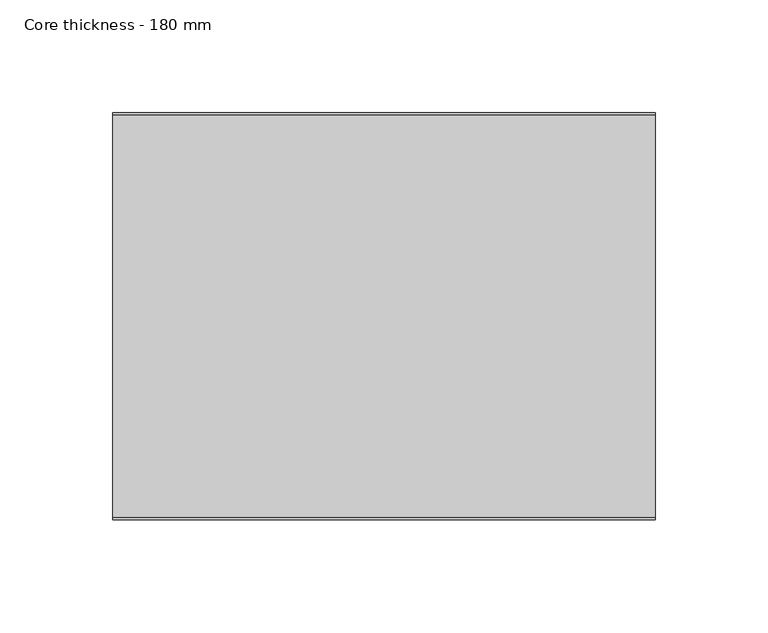
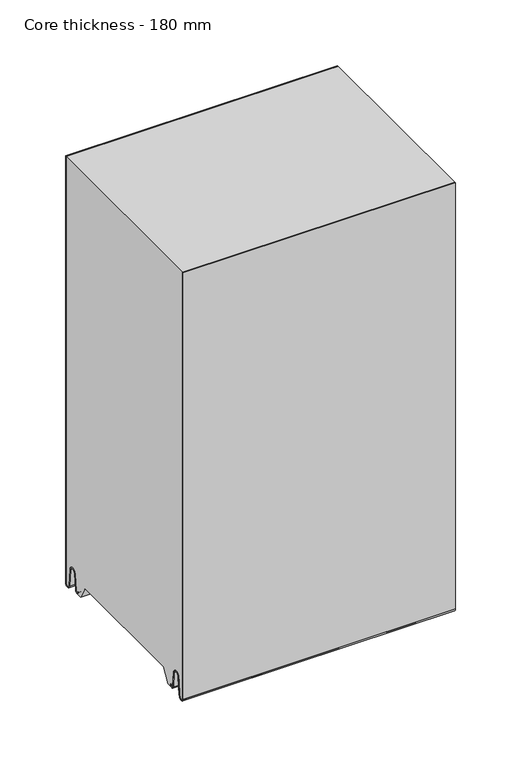
"""IFC4 building model written with IfcOpenShell, lengths in millimetres: plate geometry, Core thickness - 180 mm."""

from ifc_helpers import new_model, si_unit, frame, origin, place, context, project, spatial, polyline, circle_curve, source, transform, mapped, element, save
from ifc_brep_helpers import plane_surface, cylinder_surface, revolved_surface, advanced_brep


def core_thickness_180_mm_36903bec(model_context):
    return source(origin(), model_context, "Body", "AdvancedBrep", [
        advanced_brep(
        [(119.9999998, -179.9996949, 2.9900682), (119.9999998, -173.81449, 2.6875612), (119.9999998, -172.197116, 19.1828169), (119.9999998, -169.1776715, 21.8898782), (119.9999998, -166.1582271, 19.1828169), (119.9999998, -164.7725998, 5.0510966), (119.9999998, -160.3830995, 5.265779), (119.9999998, -161.1830995, 5.265779), (119.9999998, -163.9764178, 5.1291629), (119.9999998, -165.3620451, 19.2608832), (119.9999998, -169.1776715, 22.6899182), (119.9999998, -172.9932979, 19.2608832), (119.9999998, -174.6106719, 2.7656275), (119.9999998, -179.1996949, 2.9900682), (119.9999998, -179.2, 400.0), (119.9999998, -179.9996949, 400.0), (-119.9999998, -179.1996949, 2.9900682), (-119.9999998, -174.6106719, 2.7656275), (-119.9999998, -172.9932979, 19.2608832), (-119.9999998, -169.1776715, 22.6899182), (-119.9999998, -165.3620451, 19.2608832), (-119.9999998, -163.9764178, 5.1291629), (-119.9999998, -161.1830995, 5.265779), (-119.9999998, -160.3830995, 5.265779), (-119.9999998, -164.7725998, 5.0510966), (-119.9999998, -166.1582271, 19.1828169), (-119.9999998, -169.1776715, 21.8898782), (-119.9999998, -172.197116, 19.1828169), (-119.9999998, -173.81449, 2.6875612), (-119.9999998, -179.9996949, 2.9900682), (-119.9999998, -179.9996949, 400.0), (-119.9999998, -179.2, 400.0)],
        [
            (0, 1, circle_curve(frame((119.9999998, -176.8996949, 2.9900682), z_axis=(1.0, 0.0, 0.0), x_axis=(0.0, 0.0, -1.0)), 3.1)),
            (1, 2),
            (2, 3, circle_curve(frame((119.9999998, -169.2114338, 18.8900682), z_axis=(-1.0, 0.0, 0.0), x_axis=(0.0, 0.0, -1.0)), 3.0)),
            (3, 4, circle_curve(frame((119.9999998, -169.1439093, 18.8900682), z_axis=(-1.0, 0.0, 0.0), x_axis=(0.0, 0.0, -1.0)), 3.0)),
            (4, 5),
            (5, 6, circle_curve(frame((119.9999998, -162.5830995, 5.265779), z_axis=(1.0, 0.0, 0.0), x_axis=(0.0, 0.0, -1.0)), 2.2)),
            (6, 7),
            (7, 8, circle_curve(frame((119.9999998, -162.5830995, 5.265779), z_axis=(-1.0, 0.0, 0.0), x_axis=(0.0, 0.0, -1.0)), 1.4)),
            (8, 9),
            (9, 10, circle_curve(frame((119.9999998, -169.1439093, 18.8900682), z_axis=(1.0, 0.0, 0.0), x_axis=(0.0, 0.0, -1.0)), 3.8)),
            (10, 11, circle_curve(frame((119.9999998, -169.2114338, 18.8900682), z_axis=(1.0, 0.0, 0.0), x_axis=(0.0, 0.0, -1.0)), 3.8)),
            (11, 12),
            (12, 13, circle_curve(frame((119.9999998, -176.8996949, 2.9900682), z_axis=(-1.0, 0.0, 0.0), x_axis=(0.0, 0.0, -1.0)), 2.3)),
            (13, 14),
            (14, 15),
            (15, 0),
            (16, 17, circle_curve(frame((-119.9999998, -176.8996949, 2.9900682), z_axis=(1.0, 0.0, 0.0), x_axis=(0.0, 0.0, -1.0)), 2.3)),
            (17, 18),
            (18, 19, circle_curve(frame((-119.9999998, -169.2114338, 18.8900682), z_axis=(-1.0, 0.0, 0.0), x_axis=(0.0, 0.0, -1.0)), 3.8)),
            (19, 20, circle_curve(frame((-119.9999998, -169.1439093, 18.8900682), z_axis=(-1.0, 0.0, 0.0), x_axis=(0.0, 0.0, -1.0)), 3.8)),
            (20, 21),
            (21, 22, circle_curve(frame((-119.9999998, -162.5830995, 5.265779), z_axis=(1.0, 0.0, 0.0), x_axis=(0.0, 0.0, -1.0)), 1.4)),
            (22, 23),
            (23, 24, circle_curve(frame((-119.9999998, -162.5830995, 5.265779), z_axis=(-1.0, 0.0, 0.0), x_axis=(0.0, 0.0, -1.0)), 2.2)),
            (24, 25),
            (25, 26, circle_curve(frame((-119.9999998, -169.1439093, 18.8900682), z_axis=(1.0, 0.0, 0.0), x_axis=(0.0, 0.0, -1.0)), 3.0)),
            (26, 27, circle_curve(frame((-119.9999998, -169.2114338, 18.8900682), z_axis=(1.0, 0.0, 0.0), x_axis=(0.0, 0.0, -1.0)), 3.0)),
            (27, 28),
            (28, 29, circle_curve(frame((-119.9999998, -176.8996949, 2.9900682), z_axis=(-1.0, 0.0, 0.0), x_axis=(0.0, 0.0, -1.0)), 3.1)),
            (29, 30),
            (30, 31),
            (31, 16),
            (13, 16),
            (31, 14),
            (29, 0),
            (15, 30),
            (12, 17),
            (11, 18),
            (10, 19),
            (9, 20),
            (8, 21),
            (7, 22),
            (6, 23),
            (5, 24),
            (4, 25),
            (3, 26),
            (2, 27),
            (1, 28),
        ],
        [
            plane_surface(frame((119.9999998, -180.0, 0.0), z_axis=(1.0, 0.0, 0.0), x_axis=(0.0, 1.0, 0.0))),
            plane_surface(frame((-119.9999998, -180.0, 0.0), z_axis=(-1.0, 0.0, 0.0), x_axis=(0.0, 1.0, 0.0))),
            plane_surface(frame((119.9999998, -179.2, 2.9900682), z_axis=(0.0, 1.0, 0.0), x_axis=(-1.0, 0.0, 0.0))),
            plane_surface(frame((119.9999998, -179.9996949, 1093.8000005), z_axis=(0.0, -1.0, 0.0), x_axis=(-1.0, 0.0, 0.0))),
            revolved_surface(polyline([(-119.9999998, -176.8996949, 0.6900682000000002), (119.9999998, -176.8996949, 0.6900682000000002)]), (119.9999998, -176.8996949, 2.9900682), (-1.0, 0.0, 0.0)),
            plane_surface(frame((119.9999998, -172.9932979, 19.2608832), z_axis=(0.0, -0.9952273999818314, 0.09758289975914787), x_axis=(-1.0, 0.0, 0.0))),
            cylinder_surface(frame((119.9999998, -169.2114338, 18.8900682), z_axis=(1.0, 0.0, 0.0), x_axis=(0.0, 0.0, -1.0)), 3.8),
            cylinder_surface(frame((119.9999998, -169.1439093, 18.8900682), z_axis=(1.0, 0.0, 0.0), x_axis=(0.0, 0.0, -1.0)), 3.8),
            plane_surface(frame((119.9999998, -163.9764178, 5.1291629), z_axis=(0.0, 0.9952273999818297, 0.09758289975916531), x_axis=(-1.0, 0.0, 0.0))),
            revolved_surface(polyline([(-119.9999998, -162.5830995, 3.8657790000000003), (119.9999998, -162.5830995, 3.8657790000000003)]), (119.9999998, -162.5830995, 5.265779), (-1.0, 0.0, 0.0)),
            plane_surface(frame((119.9999998, -160.3830995, 5.265779), z_axis=(0.0, 0.0, 1.0), x_axis=(-1.0, 0.0, 0.0))),
            cylinder_surface(frame((119.9999998, -162.5830995, 5.265779), z_axis=(1.0, 0.0, 0.0), x_axis=(0.0, 0.0, -1.0)), 2.2),
            plane_surface(frame((119.9999998, -166.1582271, 19.1828169), z_axis=(0.0, -0.9952273999818296, -0.09758289975916527), x_axis=(-1.0, 0.0, 0.0))),
            revolved_surface(polyline([(-119.9999998, -169.1439093, 15.890068200000002), (119.9999998, -169.1439093, 15.890068200000002)]), (119.9999998, -169.1439093, 18.8900682), (-1.0, 0.0, 0.0)),
            revolved_surface(polyline([(-119.9999998, -169.2114338, 15.890068200000002), (119.9999998, -169.2114338, 15.890068200000002)]), (119.9999998, -169.2114338, 18.8900682), (-1.0, 0.0, 0.0)),
            plane_surface(frame((119.9999998, -173.81449, 2.6875612), z_axis=(0.0, 0.9952273999818314, -0.09758289975914787), x_axis=(-1.0, 0.0, 0.0))),
            cylinder_surface(frame((119.9999998, -176.8996949, 2.9900682), z_axis=(1.0, 0.0, 0.0), x_axis=(0.0, 0.0, -1.0)), 3.1),
            plane_surface(frame((-119.9999998, 134.0533409, 400.0), z_axis=(0.0, 0.0, 1.0), x_axis=(1.0, 0.0, 0.0))),
        ],
        [
            (0, [[1, 2, 3, 4, 5, 6, 7, 8, 9, 10, 11, 12, 13, 14, 15, 16]]),
            (1, [[17, 18, 19, 20, 21, 22, 23, 24, 25, 26, 27, 28, 29, 30, 31, 32]]),
            (2, [[33, -32, 34, -14]]),
            (3, [[35, -16, 36, -30]]),
            (4, [[-13, 37, -17, -33]]),
            (5, [[-12, 38, -18, -37]]),
            (6, [[-11, 39, -19, -38]]),
            (7, [[-10, 40, -20, -39]]),
            (8, [[-9, 41, -21, -40]]),
            (9, [[-8, 42, -22, -41]]),
            (10, [[-7, 43, -23, -42]]),
            (11, [[-6, 44, -24, -43]]),
            (12, [[-5, 45, -25, -44]]),
            (13, [[-4, 46, -26, -45]]),
            (14, [[-3, 47, -27, -46]]),
            (15, [[-2, 48, -28, -47]]),
            (16, [[-1, -35, -29, -48]]),
            (17, [[-15, -34, -31, -36]]),
        ],
    ),
        advanced_brep(
        [(119.9999998, -0.8003051, 2.9900682), (119.9999998, -5.3893281, 2.7656275), (119.9999998, -7.0067021, 19.2608832), (119.9999998, -10.8223285, 22.6899182), (119.9999998, -14.6379549, 19.2608832), (119.9999998, -16.0235822, 5.1291629), (119.9999998, -18.8169005, 5.265779), (119.9999998, -19.6169005, 5.265779), (119.9999998, -15.2274002, 5.0510966), (119.9999998, -13.8417729, 19.1828169), (119.9999998, -10.8223285, 21.8898782), (119.9999998, -7.802884, 19.1828169), (119.9999998, -6.18551, 2.6875612), (119.9999998, -0.0003051, 2.9900682), (119.9999998, -0.0003051, 400.0), (119.9999998, -0.8, 400.0), (-119.9999998, -0.0003051, 2.9900682), (-119.9999998, -6.18551, 2.6875612), (-119.9999998, -7.802884, 19.1828169), (-119.9999998, -10.8223285, 21.8898782), (-119.9999998, -13.8417729, 19.1828169), (-119.9999998, -15.2274002, 5.0510966), (-119.9999998, -19.6169005, 5.265779), (-119.9999998, -18.8169005, 5.265779), (-119.9999998, -16.0235822, 5.1291629), (-119.9999998, -14.6379549, 19.2608832), (-119.9999998, -10.8223285, 22.6899182), (-119.9999998, -7.0067021, 19.2608832), (-119.9999998, -5.3893281, 2.7656275), (-119.9999998, -0.8003051, 2.9900682), (-119.9999998, -0.8, 400.0), (-119.9999998, -0.0003051, 400.0)],
        [
            (0, 1, circle_curve(frame((119.9999998, -3.1003051, 2.9900682), z_axis=(-1.0, 0.0, 0.0), x_axis=(0.0, 0.0, -1.0)), 2.3)),
            (1, 2),
            (2, 3, circle_curve(frame((119.9999998, -10.7885662, 18.8900682), z_axis=(1.0, 0.0, 0.0), x_axis=(0.0, 0.0, -1.0)), 3.8)),
            (3, 4, circle_curve(frame((119.9999998, -10.8560907, 18.8900682), z_axis=(1.0, 0.0, 0.0), x_axis=(0.0, 0.0, -1.0)), 3.8)),
            (4, 5),
            (5, 6, circle_curve(frame((119.9999998, -17.4169005, 5.265779), z_axis=(-1.0, 0.0, 0.0), x_axis=(0.0, 0.0, -1.0)), 1.4)),
            (6, 7),
            (7, 8, circle_curve(frame((119.9999998, -17.4169005, 5.265779), z_axis=(1.0, 0.0, 0.0), x_axis=(0.0, 0.0, -1.0)), 2.2)),
            (8, 9),
            (9, 10, circle_curve(frame((119.9999998, -10.8560907, 18.8900682), z_axis=(-1.0, 0.0, 0.0), x_axis=(0.0, 0.0, -1.0)), 3.0)),
            (10, 11, circle_curve(frame((119.9999998, -10.7885662, 18.8900682), z_axis=(-1.0, 0.0, 0.0), x_axis=(0.0, 0.0, -1.0)), 3.0)),
            (11, 12),
            (12, 13, circle_curve(frame((119.9999998, -3.1003051, 2.9900682), z_axis=(1.0, 0.0, 0.0), x_axis=(0.0, 0.0, -1.0)), 3.1)),
            (13, 14),
            (14, 15),
            (15, 0),
            (16, 17, circle_curve(frame((-119.9999998, -3.1003051, 2.9900682), z_axis=(-1.0, 0.0, 0.0), x_axis=(0.0, 0.0, -1.0)), 3.1)),
            (17, 18),
            (18, 19, circle_curve(frame((-119.9999998, -10.7885662, 18.8900682), z_axis=(1.0, 0.0, 0.0), x_axis=(0.0, 0.0, -1.0)), 3.0)),
            (19, 20, circle_curve(frame((-119.9999998, -10.8560907, 18.8900682), z_axis=(1.0, 0.0, 0.0), x_axis=(0.0, 0.0, -1.0)), 3.0)),
            (20, 21),
            (21, 22, circle_curve(frame((-119.9999998, -17.4169005, 5.265779), z_axis=(-1.0, 0.0, 0.0), x_axis=(0.0, 0.0, -1.0)), 2.2)),
            (22, 23),
            (23, 24, circle_curve(frame((-119.9999998, -17.4169005, 5.265779), z_axis=(1.0, 0.0, 0.0), x_axis=(0.0, 0.0, -1.0)), 1.4)),
            (24, 25),
            (25, 26, circle_curve(frame((-119.9999998, -10.8560907, 18.8900682), z_axis=(-1.0, 0.0, 0.0), x_axis=(0.0, 0.0, -1.0)), 3.8)),
            (26, 27, circle_curve(frame((-119.9999998, -10.7885662, 18.8900682), z_axis=(-1.0, 0.0, 0.0), x_axis=(0.0, 0.0, -1.0)), 3.8)),
            (27, 28),
            (28, 29, circle_curve(frame((-119.9999998, -3.1003051, 2.9900682), z_axis=(1.0, 0.0, 0.0), x_axis=(0.0, 0.0, -1.0)), 2.3)),
            (29, 30),
            (30, 31),
            (31, 16),
            (13, 16),
            (31, 14),
            (29, 0),
            (15, 30),
            (12, 17),
            (11, 18),
            (10, 19),
            (9, 20),
            (8, 21),
            (7, 22),
            (6, 23),
            (5, 24),
            (4, 25),
            (3, 26),
            (2, 27),
            (1, 28),
        ],
        [
            plane_surface(frame((119.9999998, 0.0, 0.0), z_axis=(1.0, 0.0, 0.0), x_axis=(0.0, -1.0, 0.0))),
            plane_surface(frame((-119.9999998, 0.0, 0.0), z_axis=(-1.0, 0.0, 0.0), x_axis=(0.0, -1.0, 0.0))),
            plane_surface(frame((119.9999998, -0.0003051, 2.9900682), z_axis=(0.0, 1.0, 0.0), x_axis=(-1.0, 0.0, 0.0))),
            plane_surface(frame((119.9999998, -0.8, 1093.8000005), z_axis=(0.0, -1.0, 0.0), x_axis=(-1.0, 0.0, 0.0))),
            cylinder_surface(frame((119.9999998, -3.1003051, 2.9900682), z_axis=(1.0, 0.0, 0.0), x_axis=(0.0, 0.0, -1.0)), 3.1),
            plane_surface(frame((119.9999998, -7.802884, 19.1828169), z_axis=(0.0, -0.9952273999818314, -0.09758289975914787), x_axis=(-1.0, 0.0, 0.0))),
            revolved_surface(polyline([(-119.9999998, -10.7885662, 15.890068200000002), (119.9999998, -10.7885662, 15.890068200000002)]), (119.9999998, -10.7885662, 18.8900682), (-1.0, 0.0, 0.0)),
            revolved_surface(polyline([(-119.9999998, -10.8560907, 15.890068200000002), (119.9999998, -10.8560907, 15.890068200000002)]), (119.9999998, -10.8560907, 18.8900682), (-1.0, 0.0, 0.0)),
            plane_surface(frame((119.9999998, -15.2274002, 5.0510966), z_axis=(0.0, 0.9952273999818296, -0.09758289975916527), x_axis=(-1.0, 0.0, 0.0))),
            cylinder_surface(frame((119.9999998, -17.4169005, 5.265779), z_axis=(1.0, 0.0, 0.0), x_axis=(0.0, 0.0, -1.0)), 2.2),
            plane_surface(frame((119.9999998, -18.8169005, 5.265779), z_axis=(0.0, 0.0, 1.0), x_axis=(-1.0, 0.0, 0.0))),
            revolved_surface(polyline([(-119.9999998, -17.4169005, 3.8657790000000003), (119.9999998, -17.4169005, 3.8657790000000003)]), (119.9999998, -17.4169005, 5.265779), (-1.0, 0.0, 0.0)),
            plane_surface(frame((119.9999998, -14.6379549, 19.2608832), z_axis=(0.0, -0.9952273999818297, 0.09758289975916531), x_axis=(-1.0, 0.0, 0.0))),
            cylinder_surface(frame((119.9999998, -10.8560907, 18.8900682), z_axis=(1.0, 0.0, 0.0), x_axis=(0.0, 0.0, -1.0)), 3.8),
            cylinder_surface(frame((119.9999998, -10.7885662, 18.8900682), z_axis=(1.0, 0.0, 0.0), x_axis=(0.0, 0.0, -1.0)), 3.8),
            plane_surface(frame((119.9999998, -5.3893281, 2.7656275), z_axis=(0.0, 0.9952273999818314, 0.09758289975914787), x_axis=(-1.0, 0.0, 0.0))),
            revolved_surface(polyline([(-119.9999998, -3.1003051, 0.6900682000000002), (119.9999998, -3.1003051, 0.6900682000000002)]), (119.9999998, -3.1003051, 2.9900682), (-1.0, 0.0, 0.0)),
            plane_surface(frame((-119.9999998, 134.0533409, 400.0), z_axis=(0.0, 0.0, 1.0), x_axis=(1.0, 0.0, 0.0))),
        ],
        [
            (0, [[1, 2, 3, 4, 5, 6, 7, 8, 9, 10, 11, 12, 13, 14, 15, 16]]),
            (1, [[17, 18, 19, 20, 21, 22, 23, 24, 25, 26, 27, 28, 29, 30, 31, 32]]),
            (2, [[33, -32, 34, -14]]),
            (3, [[35, -16, 36, -30]]),
            (4, [[-13, 37, -17, -33]]),
            (5, [[-12, 38, -18, -37]]),
            (6, [[-11, 39, -19, -38]]),
            (7, [[-10, 40, -20, -39]]),
            (8, [[-9, 41, -21, -40]]),
            (9, [[-8, 42, -22, -41]]),
            (10, [[-7, 43, -23, -42]]),
            (11, [[-6, 44, -24, -43]]),
            (12, [[-5, 45, -25, -44]]),
            (13, [[-4, 46, -26, -45]]),
            (14, [[-3, 47, -27, -46]]),
            (15, [[-2, 48, -28, -47]]),
            (16, [[-1, -35, -29, -48]]),
            (17, [[-15, -34, -31, -36]]),
        ],
    ),
        advanced_brep(
        [(119.9999998, -149.873448, 15.0417681), (119.9999998, -30.126552, 15.0417681), (119.9999998, -23.4086055, 3.0684055), (119.9999998, -17.4169005, 3.0684055), (119.9999998, -19.6169005, 5.265779), (119.9999998, -18.8169005, 5.265779), (119.9999998, -16.0235822, 5.1291629), (119.9999998, -14.6379549, 19.2608832), (119.9999998, -10.8223285, 22.6899182), (119.9999998, -7.0067021, 19.2608832), (119.9999998, -5.3893281, 2.7656275), (119.9999998, -0.8003051, 2.9900682), (119.9999998, -0.8, 400.0), (119.9999998, -179.2, 400.0), (119.9999998, -179.2, 2.9900682), (119.9999998, -174.6106719, 2.7656275), (119.9999998, -172.9932979, 19.2608832), (119.9999998, -169.1776715, 22.6899182), (119.9999998, -165.3620451, 19.2608832), (119.9999998, -163.9764178, 5.1291629), (119.9999998, -161.1830995, 5.265779), (119.9999998, -160.3830995, 5.265779), (119.9999998, -162.5830995, 3.065779), (119.9999998, -156.5913945, 3.0684055), (-119.9999998, -30.126552, 15.0417681), (-119.9999998, -149.873448, 15.0417681), (-119.9999998, -156.5913945, 3.0684055), (-119.9999998, -162.5830995, 3.0684055), (-119.9999998, -160.3830995, 5.265779), (-119.9999998, -161.1830995, 5.265779), (-119.9999998, -163.9764178, 5.1291629), (-119.9999998, -165.3620451, 19.2608832), (-119.9999998, -169.1776715, 22.6899182), (-119.9999998, -172.9932979, 19.2608832), (-119.9999998, -174.6106719, 2.7656275), (-119.9999998, -179.1996949, 2.9900682), (-119.9999998, -179.2, 400.0), (-119.9999998, -0.8, 400.0), (-119.9999998, -0.8, 2.9900682), (-119.9999998, -5.3893281, 2.7656275), (-119.9999998, -7.0067021, 19.2608832), (-119.9999998, -10.8223285, 22.6899182), (-119.9999998, -14.6379549, 19.2608832), (-119.9999998, -16.0235822, 5.1291629), (-119.9999998, -18.8169005, 5.265779), (-119.9999998, -19.6169005, 5.265779), (-119.9999998, -17.4169005, 3.065779), (-119.9999998, -23.4086055, 3.0684055)],
        [
            (0, 1),
            (1, 2),
            (2, 3),
            (3, 4, circle_curve(frame((119.9999998, -17.4169005, 5.265779), z_axis=(-1.0, 0.0, 0.0), x_axis=(0.0, 0.0, -1.0)), 2.2)),
            (4, 5),
            (5, 6, circle_curve(frame((119.9999998, -17.4169005, 5.265779), z_axis=(1.0, 0.0, 0.0), x_axis=(0.0, 0.0, -1.0)), 1.4)),
            (6, 7),
            (7, 8, circle_curve(frame((119.9999998, -10.8560907, 18.8900682), z_axis=(-1.0, 0.0, 0.0), x_axis=(0.0, 0.0, -1.0)), 3.8)),
            (8, 9, circle_curve(frame((119.9999998, -10.7885662, 18.8900682), z_axis=(-1.0, 0.0, 0.0), x_axis=(0.0, 0.0, -1.0)), 3.8)),
            (9, 10),
            (10, 11, circle_curve(frame((119.9999998, -3.1003051, 2.9900682), z_axis=(1.0, 0.0, 0.0), x_axis=(0.0, 0.0, -1.0)), 2.3)),
            (11, 12),
            (12, 13),
            (13, 14),
            (14, 15, circle_curve(frame((119.9999998, -176.8996949, 2.9900682), z_axis=(1.0, 0.0, 0.0), x_axis=(0.0, 0.0, -1.0)), 2.3)),
            (15, 16),
            (16, 17, circle_curve(frame((119.9999998, -169.2114338, 18.8900682), z_axis=(-1.0, 0.0, 0.0), x_axis=(0.0, 0.0, -1.0)), 3.8)),
            (17, 18, circle_curve(frame((119.9999998, -169.1439093, 18.8900682), z_axis=(-1.0, 0.0, 0.0), x_axis=(0.0, 0.0, -1.0)), 3.8)),
            (18, 19),
            (19, 20, circle_curve(frame((119.9999998, -162.5830995, 5.265779), z_axis=(1.0, 0.0, 0.0), x_axis=(0.0, 0.0, -1.0)), 1.4)),
            (20, 21),
            (21, 22, circle_curve(frame((119.9999998, -162.5830995, 5.265779), z_axis=(-1.0, 0.0, 0.0), x_axis=(0.0, 0.0, -1.0)), 2.2)),
            (22, 23),
            (23, 0),
            (24, 25),
            (25, 26),
            (26, 27),
            (27, 28, circle_curve(frame((-119.9999998, -162.5830995, 5.265779), z_axis=(1.0, 0.0, 0.0), x_axis=(0.0, 0.0, -1.0)), 2.2)),
            (28, 29),
            (29, 30, circle_curve(frame((-119.9999998, -162.5830995, 5.265779), z_axis=(-1.0, 0.0, 0.0), x_axis=(0.0, 0.0, -1.0)), 1.4)),
            (30, 31),
            (31, 32, circle_curve(frame((-119.9999998, -169.1439093, 18.8900682), z_axis=(1.0, 0.0, 0.0), x_axis=(0.0, 0.0, -1.0)), 3.8)),
            (32, 33, circle_curve(frame((-119.9999998, -169.2114338, 18.8900682), z_axis=(1.0, 0.0, 0.0), x_axis=(0.0, 0.0, -1.0)), 3.8)),
            (33, 34),
            (34, 35, circle_curve(frame((-119.9999998, -176.8996949, 2.9900682), z_axis=(-1.0, 0.0, 0.0), x_axis=(0.0, 0.0, -1.0)), 2.3)),
            (35, 36),
            (36, 37),
            (37, 38),
            (38, 39, circle_curve(frame((-119.9999998, -3.1003051, 2.9900682), z_axis=(-1.0, 0.0, 0.0), x_axis=(0.0, 0.0, -1.0)), 2.3)),
            (39, 40),
            (40, 41, circle_curve(frame((-119.9999998, -10.7885662, 18.8900682), z_axis=(1.0, 0.0, 0.0), x_axis=(0.0, 0.0, -1.0)), 3.8)),
            (41, 42, circle_curve(frame((-119.9999998, -10.8560907, 18.8900682), z_axis=(1.0, 0.0, 0.0), x_axis=(0.0, 0.0, -1.0)), 3.8)),
            (42, 43),
            (43, 44, circle_curve(frame((-119.9999998, -17.4169005, 5.265779), z_axis=(-1.0, 0.0, 0.0), x_axis=(0.0, 0.0, -1.0)), 1.4)),
            (44, 45),
            (45, 46, circle_curve(frame((-119.9999998, -17.4169005, 5.265779), z_axis=(1.0, 0.0, 0.0), x_axis=(0.0, 0.0, -1.0)), 2.2)),
            (46, 47),
            (47, 24),
            (1, 24),
            (47, 2),
            (0, 25),
            (23, 26),
            (46, 3),
            (22, 27),
            (35, 14),
            (13, 36),
            (34, 15),
            (33, 16),
            (32, 17),
            (31, 18),
            (30, 19),
            (29, 20),
            (28, 21),
            (12, 37),
            (11, 38),
            (45, 4),
            (44, 5),
            (43, 6),
            (42, 7),
            (41, 8),
            (40, 9),
            (39, 10),
        ],
        [
            plane_surface(frame((119.9999998, 0.0, 0.0), z_axis=(1.0, 0.0, 0.0), x_axis=(0.0, -1.0, 0.0))),
            plane_surface(frame((-119.9999998, 0.0, 0.0), z_axis=(-1.0, 0.0, 0.0), x_axis=(0.0, -1.0, 0.0))),
            plane_surface(frame((119.9999998, -30.126552, 15.0417681), z_axis=(0.0, -0.8721062992196836, -0.4893164649399687), x_axis=(-1.0, 0.0, 0.0))),
            plane_surface(frame((119.9999998, -149.873448, 15.0417681), z_axis=(0.0, 0.0, -1.0), x_axis=(-1.0, 0.0, 0.0))),
            plane_surface(frame((119.9999998, -156.8190247, 2.6627014), z_axis=(0.0, 0.8721062992196852, -0.48931646493996606), x_axis=(-1.0, 0.0, 0.0))),
            plane_surface(frame((-119.9999998, -162.5830995, 3.0684055), z_axis=(0.0, 0.0, -1.0), x_axis=(1.0, 0.0, 0.0))),
            plane_surface(frame((249.9999998, -179.2, 2.9900682), z_axis=(0.0, -1.0, 0.0), x_axis=(-1.0, 0.0, 0.0))),
            cylinder_surface(frame((249.9999998, -176.8996949, 2.9900682), z_axis=(-1.0, 0.0, 0.0), x_axis=(0.0, 0.0, -1.0)), 2.3),
            plane_surface(frame((249.9999998, -172.9932979, 19.2608832), z_axis=(0.0, 0.9952273999818314, -0.09758289975914787), x_axis=(-1.0, 0.0, 0.0))),
            revolved_surface(polyline([(119.99999980000001, -169.2114338, 15.090068200000001), (-119.99999980000001, -169.2114338, 15.090068200000001)]), (249.9999998, -169.2114338, 18.8900682), (1.0, 0.0, 0.0)),
            revolved_surface(polyline([(119.99999980000001, -169.1439093, 15.090068200000001), (-119.99999980000001, -169.1439093, 15.090068200000001)]), (249.9999998, -169.1439093, 18.8900682), (1.0, 0.0, 0.0)),
            plane_surface(frame((249.9999998, -163.9764178, 5.1291629), z_axis=(0.0, -0.9952273999818297, -0.09758289975916531), x_axis=(-1.0, 0.0, 0.0))),
            cylinder_surface(frame((249.9999998, -162.5830995, 5.265779), z_axis=(-1.0, 0.0, 0.0), x_axis=(0.0, 0.0, -1.0)), 1.4),
            plane_surface(frame((249.9999998, -160.3830995, 5.265779), z_axis=(0.0, 0.0, -1.0), x_axis=(-1.0, 0.0, 0.0))),
            revolved_surface(polyline([(119.99999980000001, -162.5830995, 3.065779), (-119.99999980000001, -162.5830995, 3.065779)]), (249.9999998, -162.5830995, 5.265779), (1.0, 0.0, 0.0)),
            plane_surface(frame((-119.9999998, 134.0533409, 400.0), z_axis=(0.0, 0.0, 1.0), x_axis=(1.0, 0.0, 0.0))),
            plane_surface(frame((249.9999998, -0.8, 1093.8000005), z_axis=(0.0, 1.0, 0.0), x_axis=(-1.0, 0.0, 0.0))),
            revolved_surface(polyline([(119.99999980000001, -17.4169005, 3.065779), (-119.99999980000001, -17.4169005, 3.065779)]), (249.9999998, -17.4169005, 5.265779), (1.0, 0.0, 0.0)),
            plane_surface(frame((249.9999998, -18.8169005, 5.265779), z_axis=(0.0, 0.0, -1.0), x_axis=(-1.0, 0.0, 0.0))),
            cylinder_surface(frame((249.9999998, -17.4169005, 5.265779), z_axis=(-1.0, 0.0, 0.0), x_axis=(0.0, 0.0, -1.0)), 1.4),
            plane_surface(frame((249.9999998, -14.6379549, 19.2608832), z_axis=(0.0, 0.9952273999818297, -0.09758289975916531), x_axis=(-1.0, 0.0, 0.0))),
            revolved_surface(polyline([(119.99999980000001, -10.8560907, 15.090068200000001), (-119.99999980000001, -10.8560907, 15.090068200000001)]), (249.9999998, -10.8560907, 18.8900682), (1.0, 0.0, 0.0)),
            revolved_surface(polyline([(119.99999980000001, -10.7885662, 15.090068200000001), (-119.99999980000001, -10.7885662, 15.090068200000001)]), (249.9999998, -10.7885662, 18.8900682), (1.0, 0.0, 0.0)),
            plane_surface(frame((249.9999998, -5.3893281, 2.7656275), z_axis=(0.0, -0.9952273999818314, -0.09758289975914787), x_axis=(-1.0, 0.0, 0.0))),
            cylinder_surface(frame((249.9999998, -3.1003051, 2.9900682), z_axis=(-1.0, 0.0, 0.0), x_axis=(0.0, 0.0, -1.0)), 2.3),
        ],
        [
            (0, [[1, 2, 3, 4, 5, 6, 7, 8, 9, 10, 11, 12, 13, 14, 15, 16, 17, 18, 19, 20, 21, 22, 23, 24]]),
            (1, [[25, 26, 27, 28, 29, 30, 31, 32, 33, 34, 35, 36, 37, 38, 39, 40, 41, 42, 43, 44, 45, 46, 47, 48]]),
            (2, [[49, -48, 50, -2]]),
            (3, [[-1, 51, -25, -49]]),
            (4, [[-51, -24, 52, -26]]),
            (5, [[-3, -50, -47, 53]]),
            (5, [[-23, 54, -27, -52]]),
            (6, [[55, -14, 56, -36]]),
            (7, [[-55, -35, 57, -15]]),
            (8, [[-57, -34, 58, -16]]),
            (9, [[-58, -33, 59, -17]]),
            (10, [[-59, -32, 60, -18]]),
            (11, [[-60, -31, 61, -19]]),
            (12, [[-61, -30, 62, -20]]),
            (13, [[-62, -29, 63, -21]]),
            (14, [[-63, -28, -54, -22]]),
            (15, [[64, -37, -56, -13]]),
            (16, [[65, -38, -64, -12]]),
            (17, [[66, -4, -53, -46]]),
            (18, [[-66, -45, 67, -5]]),
            (19, [[-67, -44, 68, -6]]),
            (20, [[-68, -43, 69, -7]]),
            (21, [[-69, -42, 70, -8]]),
            (22, [[-70, -41, 71, -9]]),
            (23, [[-71, -40, 72, -10]]),
            (24, [[-72, -39, -65, -11]]),
        ],
    ),
    ])


if __name__ == "__main__":
    model = new_model("IFC4")
    model_context = context("Model", 3, world=origin())
    ifc_project = project(units=[si_unit("LENGTHUNIT", "METRE", prefix="MILLI")], contexts=[model_context])
    site = spatial("IfcSite", under=ifc_project)
    building = spatial("IfcBuilding", under=site)
    placement = place(None, origin())
    core_thickness_180_mm_shape = core_thickness_180_mm_36903bec(model_context)
    element("IfcPlate", 1, ObjectType="Core thickness - 180 mm", at=placement, inside=building, context=model_context, shape_type="MappedRepresentation", body=[
        mapped(core_thickness_180_mm_shape, transform((0.0, 0.0, 0.0), x_axis=(1.0, 0.0, 0.0), y_axis=(0.0, 1.0, 0.0), z_axis=(0.0, 0.0, 1.0))),
    ])
    save(model, "model.ifc")
